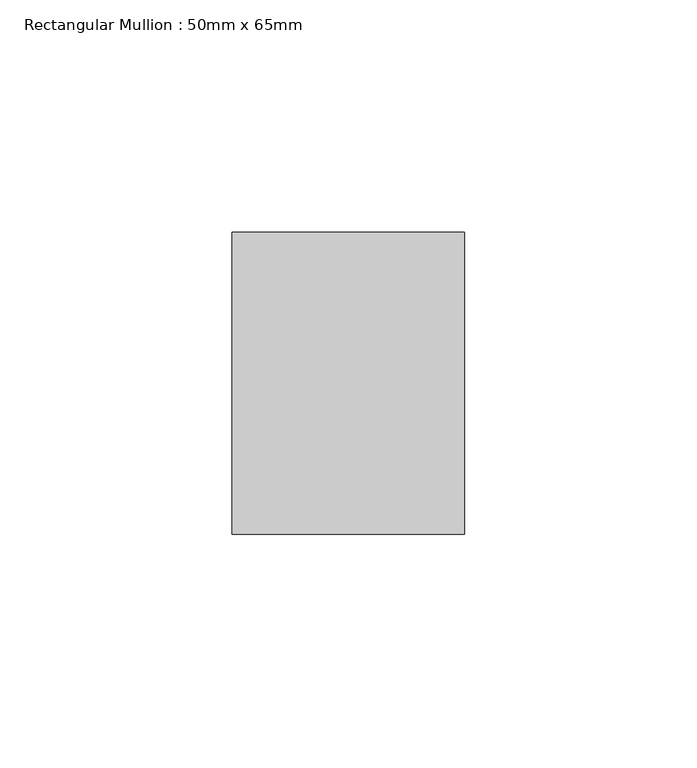
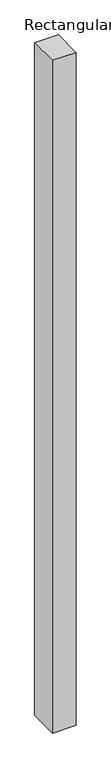
"""IFC4 building model written with IfcOpenShell, lengths in millimetres: member geometry, Rectangular Mullion : 50mm x 65mm."""

from ifc_helpers import new_model, si_unit, origin, place, context, project, spatial, faceted_brep, source, transform, mapped, element, save


def rectangular_mullion_50mm_x_65mm_05503ad2(model_context):
    return source(origin(), model_context, "Body", "Brep", [
        faceted_brep([(-25.0, 32.5, -0.098089), (25.0, 32.5, -0.0980881), (25.0, 32.5, -1499.8164245), (-25.0, 32.5, -1499.8164229), (-25.0, -32.5, 0.0980881), (-25.0, -32.5, -1500.1835669), (25.0, -32.5, 0.098089), (25.0, -32.5, -1500.1835684)], [[[0, 1, 2, 3]], [[4, 0, 3, 5]], [[6, 4, 5, 7]], [[1, 6, 7, 2]], [[1, 0, 4, 6]], [[2, 7, 5, 3]]]),
    ])


if __name__ == "__main__":
    model = new_model("IFC4")
    model_context = context("Model", 3, world=origin())
    ifc_project = project(units=[si_unit("LENGTHUNIT", "METRE", prefix="MILLI")], contexts=[model_context])
    site = spatial("IfcSite", under=ifc_project)
    building = spatial("IfcBuilding", under=site)
    placement = place(None, origin())
    rectangular_mullion_50mm_x_65mm_shape = rectangular_mullion_50mm_x_65mm_05503ad2(model_context)
    element("IfcMember", 1, ObjectType="Rectangular Mullion : 50mm x 65mm", at=placement, inside=building, context=model_context, shape_type="MappedRepresentation", body=[
        mapped(rectangular_mullion_50mm_x_65mm_shape, transform((0.0, 0.0, 0.0), x_axis=(1.0, 0.0, 0.0), y_axis=(0.0, 1.0, 0.0), z_axis=(0.0, 0.0, 1.0))),
    ])
    save(model, "model.ifc")
